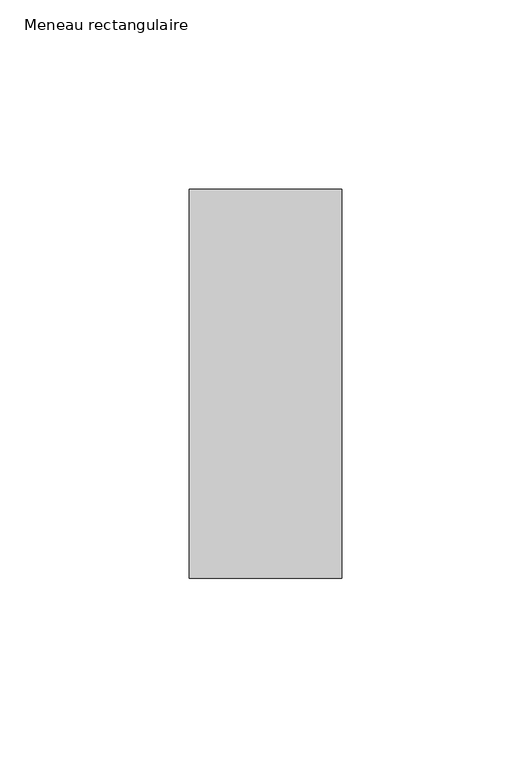
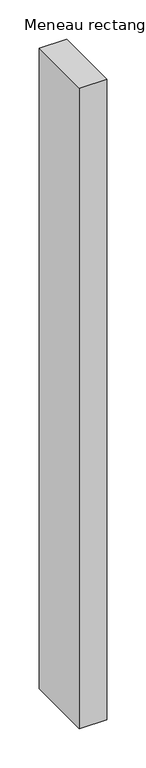
"""IFC4 building model written with IfcOpenShell, lengths in millimetres: member geometry, Meneau rectangulaire."""

from ifc_helpers import new_model, si_unit, frame, origin, place, context, project, spatial, polyline, outline, extrude, source, transform, mapped, element, save


def meneau_rectangulaire_86cd5856(model_context):
    return source(origin(), model_context, "Body", "SweptSolid", [
        extrude(outline(polyline([(0.0, -51.4913803), (-40.4444905, -51.4913803), (-40.4444905, 51.5), (0.0, 51.5), (0.0, -51.4913803)])), frame((0.0, 0.0, -1000.0), z_axis=(0.0, 0.0, 1.0), x_axis=(1.0, 0.0, 0.0)), (0.0, 0.0, 1.0), 1000.0),
    ])


if __name__ == "__main__":
    model = new_model("IFC4")
    model_context = context("Model", 3, world=origin())
    ifc_project = project(units=[si_unit("LENGTHUNIT", "METRE", prefix="MILLI")], contexts=[model_context])
    site = spatial("IfcSite", under=ifc_project)
    building = spatial("IfcBuilding", under=site)
    placement = place(None, origin())
    meneau_rectangulaire_shape = meneau_rectangulaire_86cd5856(model_context)
    element("IfcMember", 1, ObjectType="Meneau rectangulaire", at=placement, inside=building, context=model_context, shape_type="MappedRepresentation", body=[
        mapped(meneau_rectangulaire_shape, transform((0.0, 0.0, 0.0), x_axis=(1.0, 0.0, 0.0), y_axis=(0.0, 1.0, 0.0), z_axis=(0.0, 0.0, 1.0))),
    ])
    save(model, "model.ifc")
